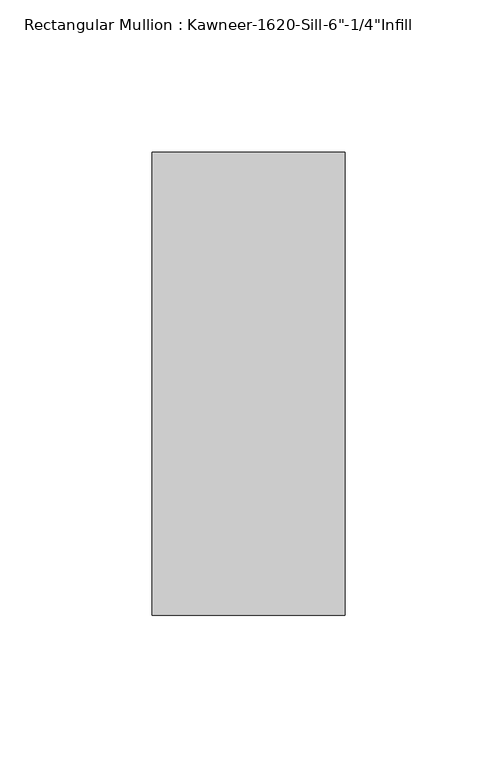
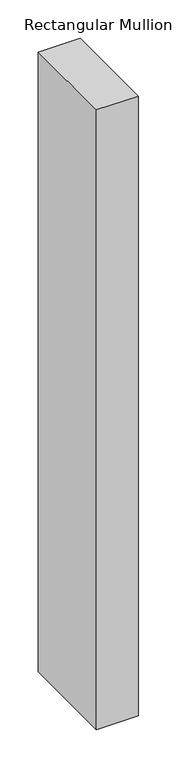
"""IFC4 building model written with IfcOpenShell, lengths in millimetres: member geometry."""

from ifc_helpers import new_model, si_unit, frame, origin, place, context, project, spatial, polyline, outline, extrude, source, transform, mapped, element, save


def member_f84545da(model_context):
    return source(origin(), model_context, "Body", "SweptSolid", [
        extrude(outline(polyline([(-63.5, 28.575), (0.0, 28.575), (0.0, -123.825), (-63.5, -123.825), (-63.5, 28.575)])), frame((0.0, 0.0, -990.6), z_axis=(0.0, 0.0, 1.0), x_axis=(1.0, 0.0, 0.0)), (0.0, 0.0, 1.0), 990.6),
    ])


if __name__ == "__main__":
    model = new_model("IFC4")
    model_context = context("Model", 3, world=origin())
    ifc_project = project(units=[si_unit("LENGTHUNIT", "METRE", prefix="MILLI")], contexts=[model_context])
    site = spatial("IfcSite", under=ifc_project)
    building = spatial("IfcBuilding", under=site)
    placement = place(None, origin())
    member_shape = member_f84545da(model_context)
    element("IfcMember", 1, ObjectType="Rectangular Mullion : Kawneer-1620-Sill-6\"-1/4\"Infill", at=placement, inside=building, context=model_context, shape_type="MappedRepresentation", body=[
        mapped(member_shape, transform((0.0, 0.0, 0.0), x_axis=(1.0, 0.0, 0.0), y_axis=(0.0, 1.0, 0.0), z_axis=(0.0, 0.0, 1.0))),
    ])
    save(model, "model.ifc")
